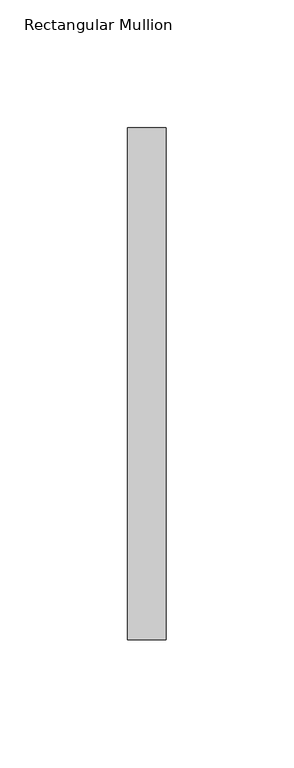
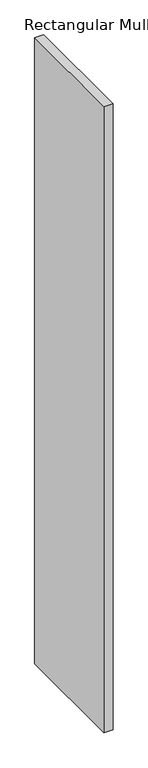
"""IFC4 building model written with IfcOpenShell, lengths in millimetres: member geometry, Rectangular Mullion."""

from ifc_helpers import new_model, si_unit, frame, origin, place, context, project, spatial, polyline, outline, extrude, source, transform, mapped, element, save


def rectangular_mullion_246482ff(model_context):
    return source(origin(), model_context, "Body", "SweptSolid", [
        extrude(outline(polyline([(0.0, 53.0), (-15.0, 53.0), (-15.0, 253.0), (0.0, 253.0), (0.0, 53.0)])), frame((0.0, 0.0, -1105.0966621), z_axis=(0.0, 0.0, 1.0), x_axis=(1.0, 0.0, 0.0)), (0.0, 0.0, 1.0), 1105.0966621),
    ])


if __name__ == "__main__":
    model = new_model("IFC4")
    model_context = context("Model", 3, world=origin())
    ifc_project = project(units=[si_unit("LENGTHUNIT", "METRE", prefix="MILLI")], contexts=[model_context])
    site = spatial("IfcSite", under=ifc_project)
    building = spatial("IfcBuilding", under=site)
    placement = place(None, origin())
    rectangular_mullion_shape = rectangular_mullion_246482ff(model_context)
    element("IfcMember", 1, ObjectType="Rectangular Mullion", at=placement, inside=building, context=model_context, shape_type="MappedRepresentation", body=[
        mapped(rectangular_mullion_shape, transform((0.0, 0.0, 0.0), x_axis=(1.0, 0.0, 0.0), y_axis=(0.0, 1.0, 0.0), z_axis=(0.0, 0.0, 1.0))),
    ])
    save(model, "model.ifc")
